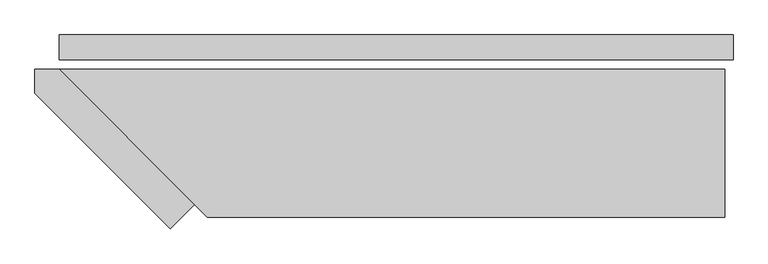
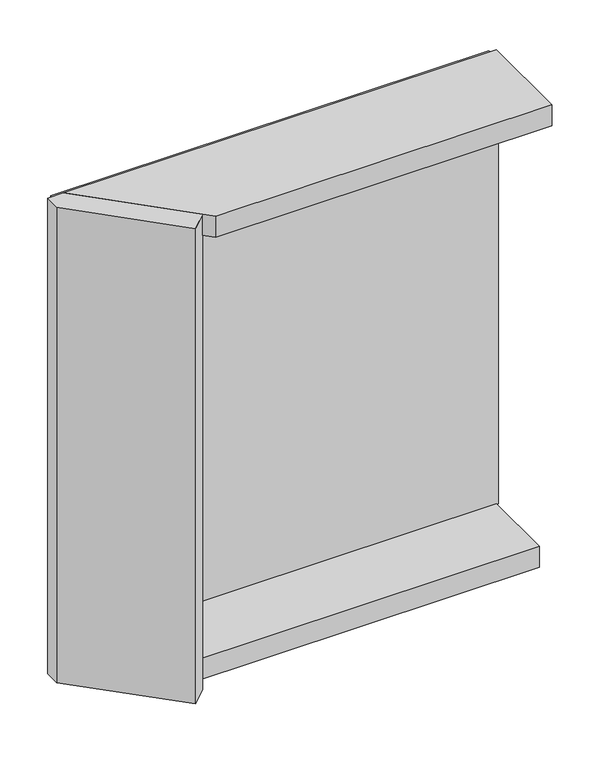
"""IFC4 building model written with IfcOpenShell, lengths in millimetres: plate geometry."""

from ifc_helpers import new_model, si_unit, frame, origin, origin_with_axes, place, context, project, spatial, polyline, outline, extrude, source, transform, mapped, element, save


def plate_2fe8ef33(model_context):
    return source(origin(), model_context, "Body", "SweptSolid", [
        extrude(outline(polyline([(591.0, 0.0), (591.0, -44.0), (-591.0, -44.0), (-591.0, 0.0), (591.0, 0.0)])), origin_with_axes(), (0.0, 0.0, 1.0), 1264.465707),
        extrude(outline(polyline([(-354.0, -297.5735931), (-396.4264069, -340.0), (-634.0, -102.4264069), (-634.0, -60.0), (-591.5735931, -60.0), (-354.0, -297.5735931)])), frame((0.0, 0.0, -45.0), z_axis=(0.0, 0.0, 1.0), x_axis=(1.0, 0.0, 0.0)), (0.0, 0.0, 1.0), 1354.465707),
        extrude(outline(polyline([(576.0, -260.0), (-391.5735931, -260.0), (-591.5735931, -60.0), (576.0, -60.0), (576.0, -260.0)])), frame((0.0, 0.0, -45.0), z_axis=(0.0, 0.0, 1.0), x_axis=(1.0, 0.0, 0.0)), (0.0, 0.0, 1.0), 60.0),
        extrude(outline(polyline([(576.0, -320.0), (-331.5735931, -320.0), (-591.5735931, -60.0), (576.0, -60.0), (576.0, -320.0)])), frame((0.0, 0.0, 1249.465707), z_axis=(0.0, 0.0, 1.0), x_axis=(1.0, 0.0, 0.0)), (0.0, 0.0, 1.0), 60.0),
    ])


if __name__ == "__main__":
    model = new_model("IFC4")
    model_context = context("Model", 3, world=origin())
    ifc_project = project(units=[si_unit("LENGTHUNIT", "METRE", prefix="MILLI")], contexts=[model_context])
    site = spatial("IfcSite", under=ifc_project)
    building = spatial("IfcBuilding", under=site)
    placement = place(None, origin())
    plate_shape = plate_2fe8ef33(model_context)
    element("IfcPlate", 1, at=placement, inside=building, context=model_context, shape_type="MappedRepresentation", body=[
        mapped(plate_shape, transform((0.0, 0.0, 0.0), x_axis=(1.0, 0.0, 0.0), y_axis=(0.0, 1.0, 0.0), z_axis=(0.0, 0.0, 1.0))),
    ])
    save(model, "model.ifc")
